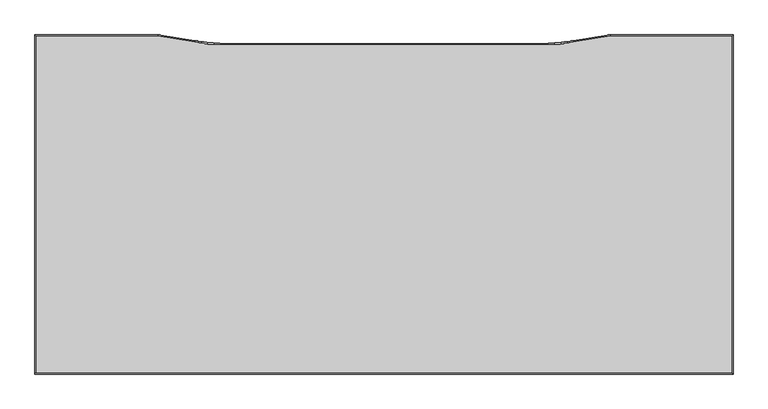
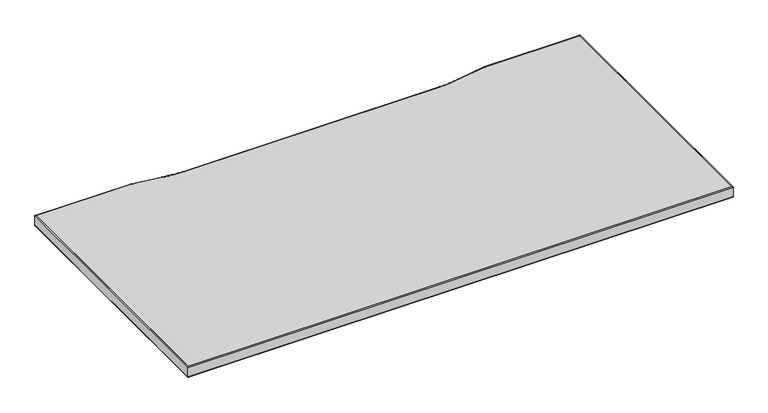
"""IFC4 building model written with IfcOpenShell, lengths in millimetres: furniture geometry."""

from ifc_helpers import new_model, si_unit, frame, origin, place, context, project, spatial, polyline, circle_curve, ellipse_curve, outline, extrude, source, transform, mapped, element, save
from ifc_brep_helpers import plane_surface, cylinder_surface, advanced_brep


def furniture_f95f47cd(model_context):
    return source(origin(), model_context, "Body", "SolidModel", [
        advanced_brep(
        [(-397.0, 297.0, 723.9), (-397.0, 297.0, 698.5), (-185.0, 297.0, 698.5), (-185.0, 297.0, 723.9), (814.5518, 297.0, 723.9), (814.5518, 297.0, 698.5), (814.5518, -289.8388, 698.5), (814.5518, -289.8388, 723.9), (-397.0, -289.8388, 698.5), (-397.0, -289.8388, 723.9), (-398.6002, 298.6002, 700.1002), (-398.6002, 298.6002, 722.2998), (-184.8747968, 298.6002, 722.2998), (-184.8747968, 298.6002, 700.1002), (816.152, 298.6002, 700.1002), (816.152, 298.6002, 722.2998), (816.152, -291.439, 722.2998), (816.152, -291.439, 700.1002), (-398.6002, -291.439, 722.2998), (-398.6002, -291.439, 700.1002), (-120.4953882, 288.4637705, 722.2998), (-120.4953882, 288.4637705, 700.1002), (-109.4916017, 286.3222513, 722.2998), (-109.4916017, 286.3222513, 700.1002), (-98.5309628, 284.8095704, 722.2998), (-98.5309628, 284.8095704, 700.1002), (-87.5037923, 283.9011003, 722.2998), (-87.5037923, 283.9011003, 700.1002), (-76.4433721, 283.5995828, 722.2998), (-76.4433721, 283.5995828, 700.1002), (494.0391279, 283.6001866, 722.2998), (494.0391279, 283.6001866, 700.1002), (505.1433713, 283.9059281, 722.2998), (505.1433713, 283.9059281, 700.1002), (516.1701443, 284.8192116, 722.2998), (516.1701443, 284.8192116, 700.1002), (527.1301218, 286.3366767, 722.2998), (527.1301218, 286.3366767, 700.1002), (537.9901026, 288.4537198, 722.2998), (537.9901026, 288.4537198, 700.1002), (602.4265967, 298.6002, 722.2998), (602.4265967, 298.6002, 700.1002), (-120.7442709, 286.8830436, 698.5), (-120.7442709, 286.8830436, 723.9), (-109.7974382, 284.7515496, 698.5), (-109.7974382, 284.7515496, 723.9), (-98.7500792, 283.2244433, 698.5), (-98.7500792, 283.2244433, 723.9), (-87.6355272, 282.306332, 698.5), (-87.6355272, 282.306332, 723.9), (-76.4873279, 281.9999866, 698.5), (-76.4873279, 281.9999866, 723.9), (494.0391279, 281.9999866, 698.5), (494.0391279, 281.9999866, 723.9), (505.1873272, 282.306332, 698.5), (505.1873272, 282.306332, 723.9), (516.3018792, 283.2244433, 698.5), (516.3018792, 283.2244433, 723.9), (527.3492382, 284.7515496, 698.5), (527.3492382, 284.7515496, 723.9), (538.2959392, 286.883018, 698.5), (538.2959392, 286.883018, 723.9), (602.5518, 297.0, 698.5), (602.5518, 297.0, 723.9)],
        [
            (0, 1),
            (1, 2),
            (2, 3),
            (3, 0),
            (4, 5),
            (5, 6),
            (6, 7),
            (7, 4),
            (6, 8),
            (8, 9),
            (9, 7),
            (8, 1),
            (0, 9),
            (10, 11),
            (11, 12),
            (12, 13),
            (13, 10),
            (14, 15),
            (15, 16),
            (16, 17),
            (17, 14),
            (16, 18),
            (18, 19),
            (19, 17),
            (18, 11),
            (10, 19),
            (12, 20),
            (20, 21),
            (21, 13),
            (20, 22),
            (22, 23),
            (23, 21),
            (22, 24),
            (24, 25),
            (25, 23),
            (24, 26),
            (26, 27),
            (27, 25),
            (26, 28),
            (28, 29),
            (29, 27),
            (28, 30),
            (30, 31),
            (31, 29),
            (30, 32),
            (32, 33),
            (33, 31),
            (32, 34),
            (34, 35),
            (35, 33),
            (34, 36),
            (36, 37),
            (37, 35),
            (36, 38),
            (38, 39),
            (39, 37),
            (38, 40),
            (40, 41),
            (41, 39),
            (40, 15),
            (14, 41),
            (11, 0, ellipse_curve(frame((-397.0, 297.0, 722.2998), z_axis=(0.7071067811865474, 0.7071067811865476, 0.0), x_axis=(-0.7071067811865478, 0.7071067811865474, 0.0)), 2.2630245, 1.6002)),
            (3, 12, ellipse_curve(frame((-185.0, 297.0, 722.2998), z_axis=(-0.9969530599780059, 0.07800382170439367, 0.0), x_axis=(-0.07800382170439082, -0.9969530599780061, 0.0)), 1.6050906, 1.6002)),
            (1, 10, ellipse_curve(frame((-397.0, 297.0, 700.1002), z_axis=(0.7071067811865474, 0.7071067811865477, 0.0), x_axis=(-0.7071067811865477, 0.7071067811865474, 0.0)), 2.2630245, 1.6002)),
            (13, 2, ellipse_curve(frame((-185.0, 297.0, 700.1002), z_axis=(-0.9969530599780059, 0.07800382170439367, 0.0), x_axis=(-0.07800382170439082, -0.9969530599780061, 0.0)), 1.6050906, 1.6002)),
            (2, 42),
            (42, 43),
            (43, 3),
            (43, 20, circle_curve(frame((-120.7442709, 286.8830436, 722.2998), z_axis=(-0.9878308075990183, 0.1555322974763482, 0.0), x_axis=(-0.1555322974763482, -0.9878308075990183, 0.0)), 1.6002)),
            (21, 42, circle_curve(frame((-120.7442709, 286.8830436, 700.1002), z_axis=(-0.9878308075990183, 0.1555322974763482, 0.0), x_axis=(-0.1555322974763482, -0.9878308075990183, 0.0)), 1.6002)),
            (42, 44),
            (44, 45),
            (45, 43),
            (45, 22, circle_curve(frame((-109.7974382, 284.7515496, 722.2998), z_axis=(-0.9815659097985474, 0.19112395119751457, 0.0), x_axis=(-0.19112395119751457, -0.9815659097985474, 0.0)), 1.6002)),
            (23, 44, circle_curve(frame((-109.7974382, 284.7515496, 700.1002), z_axis=(-0.9815659097985474, 0.19112395119751457, 0.0), x_axis=(-0.19112395119751457, -0.9815659097985474, 0.0)), 1.6002)),
            (44, 46),
            (46, 47),
            (47, 45),
            (47, 24, circle_curve(frame((-98.7500792, 283.2244433, 722.2998), z_axis=(-0.9905806378079298, 0.13693063937641956, 0.0), x_axis=(-0.13693063937641956, -0.9905806378079298, 0.0)), 1.6002)),
            (25, 46, circle_curve(frame((-98.7500792, 283.2244433, 700.1002), z_axis=(-0.9905806378079298, 0.13693063937641956, 0.0), x_axis=(-0.13693063937641956, -0.9905806378079298, 0.0)), 1.6002)),
            (46, 48),
            (48, 49),
            (49, 47),
            (49, 26, circle_curve(frame((-87.6355272, 282.306332, 722.2998), z_axis=(-0.9966056147841567, 0.0823240461875707, 0.0), x_axis=(-0.0823240461875707, -0.9966056147841567, 0.0)), 1.6002)),
            (27, 48, circle_curve(frame((-87.6355272, 282.306332, 700.1002), z_axis=(-0.9966056147841567, 0.0823240461875707, 0.0), x_axis=(-0.0823240461875707, -0.9966056147841567, 0.0)), 1.6002)),
            (48, 50),
            (50, 51),
            (51, 49),
            (51, 28, circle_curve(frame((-76.4873279, 281.9999866, 722.2998), z_axis=(-0.9996226562599152, 0.02746898417982399, 0.0), x_axis=(-0.02746898417982399, -0.9996226562599152, 0.0)), 1.6002)),
            (29, 50, circle_curve(frame((-76.4873279, 281.9999866, 700.1002), z_axis=(-0.9996226562599152, 0.02746898417982399, 0.0), x_axis=(-0.02746898417982399, -0.9996226562599152, 0.0)), 1.6002)),
            (50, 52),
            (52, 53),
            (53, 51),
            (53, 30, circle_curve(frame((494.0391279, 281.9999866, 722.2998), z_axis=(-1.0, 0.0, 0.0), x_axis=(0.0, -1.0, 0.0)), 1.6002)),
            (31, 52, circle_curve(frame((494.0391279, 281.9999866, 700.1002), z_axis=(-1.0, 0.0, 0.0), x_axis=(0.0, -1.0, 0.0)), 1.6002)),
            (52, 54),
            (54, 55),
            (55, 53),
            (55, 32, circle_curve(frame((505.1873272, 282.306332, 722.2998), z_axis=(-0.9996226562598441, -0.027468984182409537, 0.0), x_axis=(0.027468984182409537, -0.9996226562598441, 0.0)), 1.6002)),
            (33, 54, circle_curve(frame((505.1873272, 282.306332, 700.1002), z_axis=(-0.9996226562598441, -0.027468984182409537, 0.0), x_axis=(0.027468984182409537, -0.9996226562598441, 0.0)), 1.6002)),
            (54, 56),
            (56, 57),
            (57, 55),
            (57, 34, circle_curve(frame((516.3018792, 283.2244433, 722.2998), z_axis=(-0.996605614784157, -0.08232404618756624, 0.0), x_axis=(0.08232404618756624, -0.996605614784157, 0.0)), 1.6002)),
            (35, 56, circle_curve(frame((516.3018792, 283.2244433, 700.1002), z_axis=(-0.996605614784157, -0.08232404618756624, 0.0), x_axis=(0.08232404618756624, -0.996605614784157, 0.0)), 1.6002)),
            (56, 58),
            (58, 59),
            (59, 57),
            (59, 36, circle_curve(frame((527.3492382, 284.7515496, 722.2998), z_axis=(-0.9905806378079128, -0.1369306393765422, 0.0), x_axis=(0.1369306393765422, -0.9905806378079128, 0.0)), 1.6002)),
            (37, 58, circle_curve(frame((527.3492382, 284.7515496, 700.1002), z_axis=(-0.9905806378079128, -0.1369306393765422, 0.0), x_axis=(0.1369306393765422, -0.9905806378079128, 0.0)), 1.6002)),
            (58, 60),
            (60, 61),
            (61, 59),
            (61, 38, circle_curve(frame((538.2959392, 286.883018, 722.2998), z_axis=(-0.9815659097983599, -0.1911239511984775, 0.0), x_axis=(0.1911239511984775, -0.9815659097983599, 0.0)), 1.6002)),
            (39, 60, circle_curve(frame((538.2959392, 286.883018, 700.1002), z_axis=(-0.9815659097983599, -0.1911239511984775, 0.0), x_axis=(0.1911239511984775, -0.9815659097983599, 0.0)), 1.6002)),
            (60, 62),
            (62, 63),
            (63, 61),
            (63, 40, ellipse_curve(frame((602.5518, 297.0, 722.2998), z_axis=(-0.9969530570698467, -0.07800385887305192, 0.0), x_axis=(0.07800385887305224, -0.9969530570698466, 0.0)), 1.6050906, 1.6002)),
            (41, 62, ellipse_curve(frame((602.5518, 297.0, 700.1002), z_axis=(-0.9969530570698467, -0.07800385887305192, 0.0), x_axis=(0.07800385887305224, -0.9969530570698466, 0.0)), 1.6050906, 1.6002)),
            (62, 5),
            (4, 63),
            (4, 15, ellipse_curve(frame((814.5518, 297.0, 722.2998), z_axis=(-0.7071067811865476, 0.7071067811865474, 0.0), x_axis=(-0.7071067811865476, -0.7071067811865475, 0.0)), 2.2630245, 1.6002)),
            (14, 5, ellipse_curve(frame((814.5518, 297.0, 700.1002), z_axis=(-0.7071067811865477, 0.7071067811865474, 0.0), x_axis=(-0.7071067811865474, -0.7071067811865476, 0.0)), 2.2630245, 1.6002)),
            (7, 16, ellipse_curve(frame((814.5518, -289.8388, 722.2998), z_axis=(0.7071067811865474, 0.7071067811865476, 0.0), x_axis=(-0.7071067811865475, 0.7071067811865476, 0.0)), 2.2630245, 1.6002)),
            (17, 6, ellipse_curve(frame((814.5518, -289.8388, 700.1002), z_axis=(0.7071067811865474, 0.7071067811865477, 0.0), x_axis=(-0.7071067811865476, 0.7071067811865474, 0.0)), 2.2630245, 1.6002)),
            (9, 18, ellipse_curve(frame((-397.0, -289.8388, 722.2998), z_axis=(0.7071067811865476, -0.7071067811865474, 0.0), x_axis=(0.7071067811865476, 0.7071067811865475, 0.0)), 2.2630245, 1.6002)),
            (19, 8, ellipse_curve(frame((-397.0, -289.8388, 700.1002), z_axis=(0.7071067811865477, -0.7071067811865474, 0.0), x_axis=(0.7071067811865474, 0.7071067811865476, 0.0)), 2.2630245, 1.6002)),
        ],
        [
            plane_surface(frame((-397.0, 297.0, 698.5), z_axis=(0.0, -1.0, 0.0), x_axis=(1.0, 0.0, 0.0))),
            plane_surface(frame((814.5518, 297.0, 698.5), z_axis=(-1.0, 0.0, 0.0), x_axis=(0.0, -1.0, 0.0))),
            plane_surface(frame((814.5518, -289.8388, 698.5), z_axis=(0.0, 1.0, 0.0), x_axis=(-1.0, 0.0, 0.0))),
            plane_surface(frame((-397.0, -289.8388, 698.5), z_axis=(1.0, 0.0, 0.0), x_axis=(0.0, 1.0, 0.0))),
            plane_surface(frame((-398.6002, 298.6002, 722.2998), z_axis=(0.0, 1.0, 0.0), x_axis=(1.0, 0.0, 0.0))),
            plane_surface(frame((816.152, 298.6002, 722.2998), z_axis=(1.0, 0.0, 0.0), x_axis=(0.0, -1.0, 0.0))),
            plane_surface(frame((816.152, -291.439, 722.2998), z_axis=(0.0, -1.0, 0.0), x_axis=(-1.0, 0.0, 0.0))),
            plane_surface(frame((-398.6002, -291.439, 722.2998), z_axis=(-1.0, 0.0, 0.0), x_axis=(0.0, 1.0, 0.0))),
            plane_surface(frame((-184.8747968, 298.6002, 722.2998), z_axis=(0.1555322974763485, 0.9878308075990183, 0.0), x_axis=(0.9878308075990183, -0.1555322974763485, 0.0))),
            plane_surface(frame((-120.4952255, 288.4648034, 722.2998), z_axis=(0.1911239511975167, 0.981565909798547, 0.0), x_axis=(0.981565909798547, -0.1911239511975167, 0.0))),
            plane_surface(frame((-109.4911395, 286.3246253, 722.2998), z_axis=(0.13693063937641978, 0.9905806378079297, 0.0), x_axis=(0.9905806378079297, -0.13693063937641978, 0.0))),
            plane_surface(frame((-98.5306316, 284.8119661, 722.2998), z_axis=(0.08232404618756864, 0.9966056147841568, 0.0), x_axis=(0.9966056147841568, -0.08232404618756864, 0.0))),
            plane_surface(frame((-87.5035932, 283.9035105, 722.2998), z_axis=(0.02746898417982251, 0.9996226562599153, 0.0), x_axis=(0.9996226562599153, -0.02746898417982251, 0.0))),
            plane_surface(frame((-76.4433555, 283.6001866, 722.2998), z_axis=(0.0, 1.0, 0.0), x_axis=(1.0, 0.0, 0.0))),
            plane_surface(frame((494.0391279, 283.6007907, 722.2998), z_axis=(-0.027468984182407, 0.9996226562598443, 0.0), x_axis=(0.9996226562598443, 0.027468984182407, 0.0))),
            plane_surface(frame((505.1433049, 283.9083457, 722.2998), z_axis=(-0.08232404618756603, 0.9966056147841571, 0.0), x_axis=(0.9966056147841571, 0.08232404618756603, 0.0))),
            plane_surface(frame((516.1699452, 284.8216219, 722.2998), z_axis=(-0.13693063937654068, 0.9905806378079131, 0.0), x_axis=(0.9905806378079131, 0.13693063937654068, 0.0))),
            plane_surface(frame((527.1297907, 286.3390724, 722.2998), z_axis=(-0.19112395119847597, 0.9815659097983602, 0.0), x_axis=(0.9815659097983602, 0.19112395119847597, 0.0))),
            plane_surface(frame((537.9899028, 288.4547461, 722.2998), z_axis=(-0.15553237113346735, 0.9878307960018261, 0.0), x_axis=(0.9878307960018261, 0.15553237113346735, 0.0))),
            plane_surface(frame((602.4265967, 298.6002, 722.2998), z_axis=(0.0, 1.0, 0.0), x_axis=(1.0, 0.0, 0.0))),
            cylinder_surface(frame((-397.0, 297.0, 722.2998), z_axis=(-1.0, 0.0, 0.0), x_axis=(0.0, -1.0, 0.0)), 1.6002),
            cylinder_surface(frame((-397.0, 297.0, 700.1002), z_axis=(-1.0, 0.0, 0.0), x_axis=(0.0, -1.0, 0.0)), 1.6002),
            plane_surface(frame((-185.0, 297.0, 698.5), z_axis=(-0.15553229747634828, -0.9878308075990183, 0.0), x_axis=(0.9878308075990183, -0.15553229747634828, 0.0))),
            cylinder_surface(frame((-185.0, 297.0, 722.2998), z_axis=(-0.9878308075990183, 0.1555322974763482, 0.0), x_axis=(-0.1555322974763482, -0.9878308075990183, 0.0)), 1.6002),
            cylinder_surface(frame((-185.0, 297.0, 700.1002), z_axis=(-0.9878308075990183, 0.1555322974763482, 0.0), x_axis=(-0.1555322974763482, -0.9878308075990183, 0.0)), 1.6002),
            plane_surface(frame((-120.7442709, 286.8830436, 698.5), z_axis=(-0.19112395119751469, -0.9815659097985474, 0.0), x_axis=(0.9815659097985474, -0.19112395119751469, 0.0))),
            cylinder_surface(frame((-120.7442709, 286.8830436, 722.2998), z_axis=(-0.9815659097985474, 0.19112395119751457, 0.0), x_axis=(-0.19112395119751457, -0.9815659097985474, 0.0)), 1.6002),
            cylinder_surface(frame((-120.7442709, 286.8830436, 700.1002), z_axis=(-0.9815659097985474, 0.19112395119751457, 0.0), x_axis=(-0.19112395119751457, -0.9815659097985474, 0.0)), 1.6002),
            plane_surface(frame((-109.7974382, 284.7515496, 698.5), z_axis=(-0.13693063937641994, -0.9905806378079297, 0.0), x_axis=(0.9905806378079297, -0.13693063937641994, 0.0))),
            cylinder_surface(frame((-109.7974382, 284.7515496, 722.2998), z_axis=(-0.9905806378079298, 0.13693063937641956, 0.0), x_axis=(-0.13693063937641956, -0.9905806378079298, 0.0)), 1.6002),
            cylinder_surface(frame((-109.7974382, 284.7515496, 700.1002), z_axis=(-0.9905806378079298, 0.13693063937641956, 0.0), x_axis=(-0.13693063937641956, -0.9905806378079298, 0.0)), 1.6002),
            plane_surface(frame((-98.7500792, 283.2244433, 698.5), z_axis=(-0.08232404618757148, -0.9966056147841567, 0.0), x_axis=(0.9966056147841567, -0.08232404618757148, 0.0))),
            cylinder_surface(frame((-98.7500792, 283.2244433, 722.2998), z_axis=(-0.9966056147841567, 0.0823240461875707, 0.0), x_axis=(-0.0823240461875707, -0.9966056147841567, 0.0)), 1.6002),
            cylinder_surface(frame((-98.7500792, 283.2244433, 700.1002), z_axis=(-0.9966056147841567, 0.0823240461875707, 0.0), x_axis=(-0.0823240461875707, -0.9966056147841567, 0.0)), 1.6002),
            plane_surface(frame((-87.6355272, 282.306332, 698.5), z_axis=(-0.02746898417982405, -0.9996226562599153, 0.0), x_axis=(0.9996226562599153, -0.02746898417982405, 0.0))),
            cylinder_surface(frame((-87.6355272, 282.306332, 722.2998), z_axis=(-0.9996226562599152, 0.02746898417982399, 0.0), x_axis=(-0.02746898417982399, -0.9996226562599152, 0.0)), 1.6002),
            cylinder_surface(frame((-87.6355272, 282.306332, 700.1002), z_axis=(-0.9996226562599152, 0.02746898417982399, 0.0), x_axis=(-0.02746898417982399, -0.9996226562599152, 0.0)), 1.6002),
            plane_surface(frame((-76.4873279, 281.9999866, 698.5), z_axis=(0.0, -1.0, 0.0), x_axis=(1.0, 0.0, 0.0))),
            cylinder_surface(frame((-76.4873279, 281.9999866, 722.2998), z_axis=(-1.0, 0.0, 0.0), x_axis=(0.0, -1.0, 0.0)), 1.6002),
            cylinder_surface(frame((-76.4873279, 281.9999866, 700.1002), z_axis=(-1.0, 0.0, 0.0), x_axis=(0.0, -1.0, 0.0)), 1.6002),
            plane_surface(frame((494.0391279, 281.9999866, 698.5), z_axis=(0.027468984182409232, -0.9996226562598441, 0.0), x_axis=(0.9996226562598441, 0.027468984182409232, 0.0))),
            cylinder_surface(frame((494.0391279, 281.9999866, 722.2998), z_axis=(-0.9996226562598441, -0.027468984182409537, 0.0), x_axis=(0.027468984182409537, -0.9996226562598441, 0.0)), 1.6002),
            cylinder_surface(frame((494.0391279, 281.9999866, 700.1002), z_axis=(-0.9996226562598441, -0.027468984182409537, 0.0), x_axis=(0.027468984182409537, -0.9996226562598441, 0.0)), 1.6002),
            plane_surface(frame((505.1873272, 282.306332, 698.5), z_axis=(0.08232404618756561, -0.9966056147841571, 0.0), x_axis=(0.9966056147841571, 0.08232404618756561, 0.0))),
            cylinder_surface(frame((505.1873272, 282.306332, 722.2998), z_axis=(-0.996605614784157, -0.08232404618756624, 0.0), x_axis=(0.08232404618756624, -0.996605614784157, 0.0)), 1.6002),
            cylinder_surface(frame((505.1873272, 282.306332, 700.1002), z_axis=(-0.996605614784157, -0.08232404618756624, 0.0), x_axis=(0.08232404618756624, -0.996605614784157, 0.0)), 1.6002),
            plane_surface(frame((516.3018792, 283.2244433, 698.5), z_axis=(0.13693063937654318, -0.9905806378079128, 0.0), x_axis=(0.9905806378079128, 0.13693063937654318, 0.0))),
            cylinder_surface(frame((516.3018792, 283.2244433, 722.2998), z_axis=(-0.9905806378079128, -0.1369306393765422, 0.0), x_axis=(0.1369306393765422, -0.9905806378079128, 0.0)), 1.6002),
            cylinder_surface(frame((516.3018792, 283.2244433, 700.1002), z_axis=(-0.9905806378079128, -0.1369306393765422, 0.0), x_axis=(0.1369306393765422, -0.9905806378079128, 0.0)), 1.6002),
            plane_surface(frame((527.3492382, 284.7515496, 698.5), z_axis=(0.1911239511984763, -0.9815659097983601, 0.0), x_axis=(0.9815659097983601, 0.1911239511984763, 0.0))),
            cylinder_surface(frame((527.3492382, 284.7515496, 722.2998), z_axis=(-0.9815659097983599, -0.1911239511984775, 0.0), x_axis=(0.1911239511984775, -0.9815659097983599, 0.0)), 1.6002),
            cylinder_surface(frame((527.3492382, 284.7515496, 700.1002), z_axis=(-0.9815659097983599, -0.1911239511984775, 0.0), x_axis=(0.1911239511984775, -0.9815659097983599, 0.0)), 1.6002),
            plane_surface(frame((538.2959392, 286.883018, 698.5), z_axis=(0.15553237113346727, -0.9878307960018262, 0.0), x_axis=(0.9878307960018262, 0.15553237113346727, 0.0))),
            cylinder_surface(frame((538.2959392, 286.883018, 722.2998), z_axis=(-0.9878307960018261, -0.1555323711334677, 0.0), x_axis=(0.1555323711334677, -0.9878307960018261, 0.0)), 1.6002),
            cylinder_surface(frame((538.2959392, 286.883018, 700.1002), z_axis=(-0.9878307960018261, -0.1555323711334677, 0.0), x_axis=(0.1555323711334677, -0.9878307960018261, 0.0)), 1.6002),
            plane_surface(frame((602.5518, 297.0, 698.5), z_axis=(0.0, -1.0, 0.0), x_axis=(1.0, 0.0, 0.0))),
            cylinder_surface(frame((602.5518, 297.0, 722.2998), z_axis=(-1.0, 0.0, 0.0), x_axis=(0.0, -1.0, 0.0)), 1.6002),
            cylinder_surface(frame((602.5518, 297.0, 700.1002), z_axis=(-1.0, 0.0, 0.0), x_axis=(0.0, -1.0, 0.0)), 1.6002),
            cylinder_surface(frame((814.5518, 297.0, 722.2998), z_axis=(0.0, 1.0, 0.0), x_axis=(-1.0, 0.0, 0.0)), 1.6002),
            cylinder_surface(frame((814.5518, 297.0, 700.1002), z_axis=(0.0, 1.0, 0.0), x_axis=(-1.0, 0.0, 0.0)), 1.6002),
            cylinder_surface(frame((814.5518, -289.8388, 722.2998), z_axis=(1.0, 0.0, 0.0), x_axis=(0.0, 1.0, 0.0)), 1.6002),
            cylinder_surface(frame((814.5518, -289.8388, 700.1002), z_axis=(1.0, 0.0, 0.0), x_axis=(0.0, 1.0, 0.0)), 1.6002),
            cylinder_surface(frame((-397.0, -289.8388, 722.2998), z_axis=(0.0, -1.0, 0.0), x_axis=(1.0, 0.0, 0.0)), 1.6002),
            cylinder_surface(frame((-397.0, -289.8388, 700.1002), z_axis=(0.0, -1.0, 0.0), x_axis=(1.0, 0.0, 0.0)), 1.6002),
        ],
        [
            (0, [[1, 2, 3, 4]]),
            (1, [[5, 6, 7, 8]]),
            (2, [[-7, 9, 10, 11]]),
            (3, [[-10, 12, -1, 13]]),
            (4, [[14, 15, 16, 17]]),
            (5, [[18, 19, 20, 21]]),
            (6, [[-20, 22, 23, 24]]),
            (7, [[-23, 25, -14, 26]]),
            (8, [[-16, 27, 28, 29]]),
            (9, [[-28, 30, 31, 32]]),
            (10, [[-31, 33, 34, 35]]),
            (11, [[-34, 36, 37, 38]]),
            (12, [[-37, 39, 40, 41]]),
            (13, [[-40, 42, 43, 44]]),
            (14, [[-43, 45, 46, 47]]),
            (15, [[-46, 48, 49, 50]]),
            (16, [[-49, 51, 52, 53]]),
            (17, [[-52, 54, 55, 56]]),
            (18, [[-55, 57, 58, 59]]),
            (19, [[-58, 60, -18, 61]]),
            (20, [[62, -4, 63, -15]]),
            (21, [[64, -17, 65, -2]]),
            (22, [[-3, 66, 67, 68]]),
            (23, [[-63, -68, 69, -27]]),
            (24, [[-65, -29, 70, -66]]),
            (25, [[-67, 71, 72, 73]]),
            (26, [[-69, -73, 74, -30]]),
            (27, [[-70, -32, 75, -71]]),
            (28, [[-72, 76, 77, 78]]),
            (29, [[-74, -78, 79, -33]]),
            (30, [[-75, -35, 80, -76]]),
            (31, [[-77, 81, 82, 83]]),
            (32, [[-79, -83, 84, -36]]),
            (33, [[-80, -38, 85, -81]]),
            (34, [[-82, 86, 87, 88]]),
            (35, [[-84, -88, 89, -39]]),
            (36, [[-85, -41, 90, -86]]),
            (37, [[-87, 91, 92, 93]]),
            (38, [[-89, -93, 94, -42]]),
            (39, [[-90, -44, 95, -91]]),
            (40, [[-92, 96, 97, 98]]),
            (41, [[-94, -98, 99, -45]]),
            (42, [[-95, -47, 100, -96]]),
            (43, [[-97, 101, 102, 103]]),
            (44, [[-99, -103, 104, -48]]),
            (45, [[-100, -50, 105, -101]]),
            (46, [[-102, 106, 107, 108]]),
            (47, [[-104, -108, 109, -51]]),
            (48, [[-105, -53, 110, -106]]),
            (49, [[-107, 111, 112, 113]]),
            (50, [[-109, -113, 114, -54]]),
            (51, [[-110, -56, 115, -111]]),
            (52, [[-112, 116, 117, 118]]),
            (53, [[-114, -118, 119, -57]]),
            (54, [[-115, -59, 120, -116]]),
            (55, [[-117, 121, -5, 122]]),
            (56, [[-119, -122, 123, -60]]),
            (57, [[-120, -61, 124, -121]]),
            (58, [[-123, -8, 125, -19]]),
            (59, [[-124, -21, 126, -6]]),
            (60, [[-125, -11, 127, -22]]),
            (61, [[-126, -24, 128, -9]]),
            (62, [[-127, -13, -62, -25]]),
            (63, [[-128, -26, -64, -12]]),
        ],
    ),
        extrude(outline(polyline([(-185.0, 297.0), (-120.7442709, 286.8830436), (-109.7974382, 284.7515496), (-98.7500792, 283.2244433), (-87.6355272, 282.306332), (-76.4873279, 281.9999866), (494.0391279, 281.9999866), (505.1873272, 282.306332), (516.3018792, 283.2244433), (527.3492382, 284.7515496), (538.2959392, 286.883018), (602.5518, 297.0), (814.5518, 297.0), (814.5518, -289.8388), (-397.0, -289.8388), (-397.0, 297.0), (-185.0, 297.0)])), frame((0.0, 0.0, 698.5), z_axis=(0.0, 0.0, 1.0), x_axis=(1.0, 0.0, 0.0)), (0.0, 0.0, 1.0), 25.4),
    ])


if __name__ == "__main__":
    model = new_model("IFC4")
    model_context = context("Model", 3, world=origin())
    ifc_project = project(units=[si_unit("LENGTHUNIT", "METRE", prefix="MILLI")], contexts=[model_context])
    site = spatial("IfcSite", under=ifc_project)
    building = spatial("IfcBuilding", under=site)
    placement = place(None, origin())
    furniture_shape = furniture_f95f47cd(model_context)
    element("IfcFurniture", 1, at=placement, inside=building, context=model_context, shape_type="MappedRepresentation", body=[
        mapped(furniture_shape, transform((0.0, 0.0, 0.0), x_axis=(1.0, 0.0, 0.0), y_axis=(0.0, 1.0, 0.0), z_axis=(0.0, 0.0, 1.0))),
    ])
    save(model, "model.ifc")
